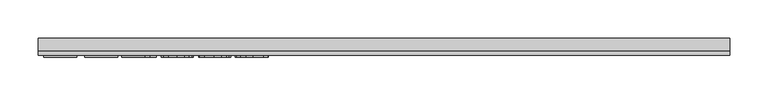
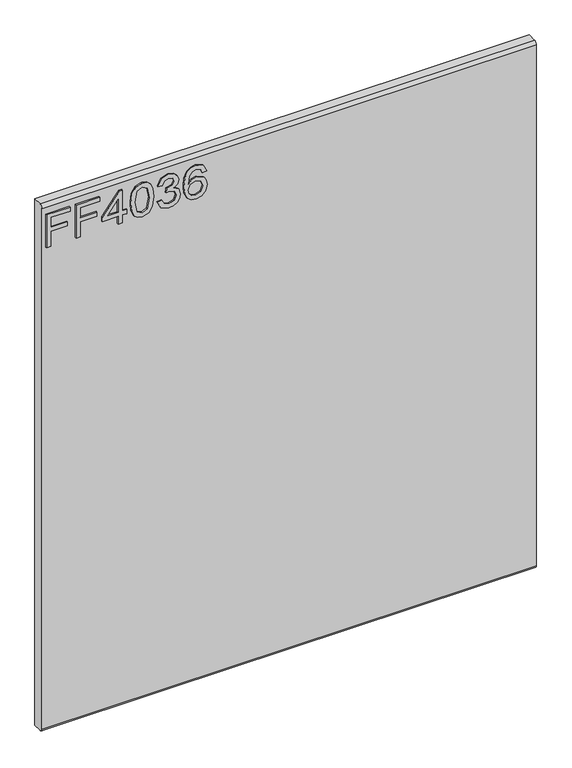
"""IFC4 building model written with IfcOpenShell, lengths in millimetres: furniture geometry."""

from ifc_helpers import new_model, si_unit, frame, origin, place, context, project, spatial, polyline, circle_curve, outline, extrude, source, transform, mapped, element, save
from ifc_brep_helpers import plane_surface, cylinder_surface, advanced_brep


def furniture_d1bc3242(model_context):
    return source(origin(), model_context, "Body", "SolidModel", [
        extrude(outline(polyline([(1085.85, -443.8729953), (1085.85, -435.8992757), (1114.7547336, -435.8992757), (1114.7547336, -405.9978271), (1122.7284532, -405.9978271), (1122.7284532, -435.8992757), (1141.6660373, -435.8992757), (1141.6660373, -401.0142524), (1149.6397569, -401.0142524), (1149.6397569, -443.8729953), (1085.85, -443.8729953)])), frame((0.0, -15.0812439, 0.0), z_axis=(0.0, 1.0, 0.0), x_axis=(0.0, 0.0, 1.0)), (0.0, 0.0, 1.0), 2.38125),
        extrude(outline(polyline([(1085.85, -390.0503879), (1085.85, -382.0766683), (1114.7547336, -382.0766683), (1114.7547336, -352.1752197), (1122.7284532, -352.1752197), (1122.7284532, -382.0766683), (1141.6660373, -382.0766683), (1141.6660373, -347.191645), (1149.6397569, -347.191645), (1149.6397569, -390.0503879), (1085.85, -390.0503879)])), frame((0.0, -15.0812439, 0.0), z_axis=(0.0, 1.0, 0.0), x_axis=(0.0, 0.0, 1.0)), (0.0, 0.0, 1.0), 2.38125),
        extrude(outline(polyline([(1085.85, -313.3033366), (1085.85, -305.329617), (1100.8007243, -305.329617), (1100.8007243, -297.3558974), (1108.7744439, -297.3558974), (1108.7744439, -305.329617), (1148.643042, -305.329617), (1148.643042, -311.3099067), (1108.7744439, -342.2080702), (1100.8007243, -342.2080702), (1100.8007243, -313.3033366), (1085.85, -313.3033366)]), holes=[polyline([(1108.7744439, -313.3033366), (1108.7744439, -332.3966574), (1133.4119916, -313.3033366), (1108.7744439, -313.3033366)])]), frame((0.0, -15.0812439, 0.0), z_axis=(0.0, 1.0, 0.0), x_axis=(0.0, 0.0, 1.0)), (0.0, 0.0, 1.0), 2.38125),
        extrude(outline(polyline([(1117.2309473, -290.3788927), (1101.7156775, -288.7903782), (1090.9270168, -284.0248349), (1086.371718, -277.7330717), (1084.853285, -269.4478787), (1088.3495742, -257.7754122), (1098.9552443, -250.8373417), (1117.2309473, -248.5168647), (1132.2206058, -249.9652161), (1141.6582505, -253.7028972), (1147.5840324, -260.1348234), (1149.6397569, -269.4478787), (1146.1668283, -281.0736242), (1135.5845188, -288.0350552), (1117.2309473, -290.3788927)]), holes=[polyline([(1117.246521, -282.4051731), (1137.3988514, -278.5429026), (1141.6660373, -269.5413207), (1136.8226256, -260.103676), (1117.246521, -256.4905843), (1097.4601718, -260.2282654), (1092.8270047, -269.4478787), (1097.4445982, -278.667492), (1117.246521, -282.4051731)])]), frame((0.0, -15.0812439, 0.0), z_axis=(0.0, 1.0, 0.0), x_axis=(0.0, 0.0, 1.0)), (0.0, 0.0, 1.0), 2.38125),
        extrude(outline(polyline([(1102.7941542, -241.53986), (1089.8524335, -235.2013759), (1084.853285, -221.2162192), (1086.3172101, -212.6935277), (1090.7089854, -205.7827111), (1097.2032063, -201.2040518), (1104.9744681, -199.677832), (1115.3465331, -202.7302716), (1120.797318, -211.4203801), (1126.0767925, -204.8794382), (1133.4275653, -202.6679769), (1141.4713664, -204.9962407), (1147.4516562, -211.7240666), (1149.6397569, -221.3408086), (1145.2012607, -234.0177769), (1132.6956028, -240.5431451), (1131.6988878, -232.5694255), (1139.1742499, -228.660434), (1141.6660373, -221.0604825), (1139.1976105, -213.553973), (1132.9603552, -210.6416965), (1125.9210558, -214.6597037), (1123.7251682, -224.9850476), (1115.7514486, -225.8727469), (1116.6235742, -220.2817989), (1113.36089, -211.2179223), (1105.1146312, -207.6515516), (1096.362228, -211.2490697), (1092.8270047, -220.9358931), (1095.3966604, -229.1665783), (1103.7908691, -233.5661404), (1102.7941542, -241.53986)])), frame((0.0, -15.0812439, 0.0), z_axis=(0.0, 1.0, 0.0), x_axis=(0.0, 0.0, 1.0)), (0.0, 0.0, 1.0), 2.38125),
        extrude(outline(polyline([(1132.6956028, -151.8355143), (1145.138966, -157.722362), (1149.6397569, -170.321462), (1147.8215308, -179.576116), (1142.3668525, -186.7205376), (1131.5081103, -191.9532911), (1115.6268592, -193.6975423), (1101.5015395, -192.1265482), (1092.0171738, -187.413566), (1086.6442572, -180.2087964), (1084.853285, -171.1624402), (1087.555317, -160.7125069), (1095.3421526, -153.4707498), (1106.3449512, -150.8387994), (1114.5172351, -152.2365364), (1121.0309231, -156.4297473), (1126.715313, -169.9788412), (1124.6362279, -178.6923102), (1118.2743833, -185.7238227), (1132.4853582, -183.4578535), (1139.7349021, -178.0148555), (1141.6660373, -170.8198194), (1138.3488454, -162.8305261), (1131.6988878, -159.8092339), (1132.6956028, -151.8355143)]), holes=[polyline([(1106.4695406, -185.7238227), (1115.35432, -181.7603234), (1118.7415934, -172.1124341), (1115.35432, -162.3399555), (1106.0801988, -158.812519), (1096.3933754, -162.3866765), (1092.8270047, -171.785387), (1094.5478953, -178.9726363), (1099.5626174, -183.8783427), (1106.4695406, -185.7238227)])]), frame((0.0, -15.0812439, 0.0), z_axis=(0.0, 1.0, 0.0), x_axis=(0.0, 0.0, 1.0)), (0.0, 0.0, 1.0), 2.38125),
        advanced_brep(
        [(450.85, 9.5250061, 1168.4), (450.85, -6.7309939, 1168.4), (450.85, -12.6999939, 1162.431), (450.85, -12.6999939, 158.369), (450.85, -6.7309939, 152.4), (450.85, 9.5250061, 152.4), (-450.85, 9.5250061, 1168.4), (-450.85, 9.5250061, 152.4), (-450.85, -6.7309939, 152.4), (-450.85, -12.6999939, 158.369), (-450.85, -12.6999939, 1162.4310121), (-450.85, -6.7309939, 1168.4)],
        [
            (0, 1),
            (1, 2, circle_curve(frame((450.85, -6.7309939, 1162.431), z_axis=(1.0, 0.0, 0.0), x_axis=(0.0, 1.0, 0.0)), 5.969)),
            (2, 3),
            (3, 4, circle_curve(frame((450.85, -6.7309939, 158.369), z_axis=(1.0, 0.0, 0.0), x_axis=(0.0, 1.0, 0.0)), 5.969)),
            (4, 5),
            (5, 0),
            (6, 7),
            (7, 8),
            (8, 9, circle_curve(frame((-450.85, -6.7309939, 158.369), z_axis=(-1.0, 0.0, 0.0), x_axis=(0.0, 1.0, 0.0)), 5.969)),
            (9, 10),
            (10, 11, circle_curve(frame((-450.85, -6.7309939, 1162.431), z_axis=(-1.0, 0.0, 0.0), x_axis=(0.0, 1.0, 0.0)), 5.969)),
            (11, 6),
            (0, 6),
            (11, 1),
            (10, 2),
            (9, 3),
            (8, 4),
            (7, 5),
        ],
        [
            plane_surface(frame((450.85, -6.7309939, 1168.4), z_axis=(1.0, 0.0, 0.0), x_axis=(0.0, -1.0, 0.0))),
            plane_surface(frame((-450.85, -6.7309939, 1168.4), z_axis=(-1.0, 0.0, 0.0), x_axis=(0.0, 1.0, 0.0))),
            plane_surface(frame((450.85, 9.5250061, 1168.4), z_axis=(0.0, 0.0, 1.0), x_axis=(-1.0, 0.0, 0.0))),
            cylinder_surface(frame((-450.85, -6.7309939, 1162.431), z_axis=(1.0, 0.0, 0.0), x_axis=(0.0, 1.0, 0.0)), 5.969),
            plane_surface(frame((450.85, -12.6999939, 1162.4310121), z_axis=(0.0, -1.0, 0.0), x_axis=(-1.0, 0.0, 0.0))),
            cylinder_surface(frame((-450.85, -6.7309939, 158.369), z_axis=(1.0, 0.0, 0.0), x_axis=(0.0, 1.0, 0.0)), 5.969),
            plane_surface(frame((450.85, -6.7309939, 152.4), z_axis=(0.0, 0.0, -1.0), x_axis=(-1.0, 0.0, 0.0))),
            plane_surface(frame((450.85, 9.5250061, 152.4), z_axis=(0.0, 1.0, 0.0), x_axis=(-1.0, 0.0, 0.0))),
        ],
        [
            (0, [[1, 2, 3, 4, 5, 6]]),
            (1, [[7, 8, 9, 10, 11, 12]]),
            (2, [[-1, 13, -12, 14]]),
            (3, [[-2, -14, -11, 15]]),
            (4, [[-3, -15, -10, 16]]),
            (5, [[-4, -16, -9, 17]]),
            (6, [[-5, -17, -8, 18]]),
            (7, [[-6, -18, -7, -13]]),
        ],
    ),
    ])


if __name__ == "__main__":
    model = new_model("IFC4")
    model_context = context("Model", 3, world=origin())
    ifc_project = project(units=[si_unit("LENGTHUNIT", "METRE", prefix="MILLI")], contexts=[model_context])
    site = spatial("IfcSite", under=ifc_project)
    building = spatial("IfcBuilding", under=site)
    placement = place(None, origin())
    furniture_shape = furniture_d1bc3242(model_context)
    element("IfcFurniture", 1, at=placement, inside=building, context=model_context, shape_type="MappedRepresentation", body=[
        mapped(furniture_shape, transform((0.0, 0.0, 0.0), x_axis=(1.0, 0.0, 0.0), y_axis=(0.0, 1.0, 0.0), z_axis=(0.0, 0.0, 1.0))),
    ])
    save(model, "model.ifc")
